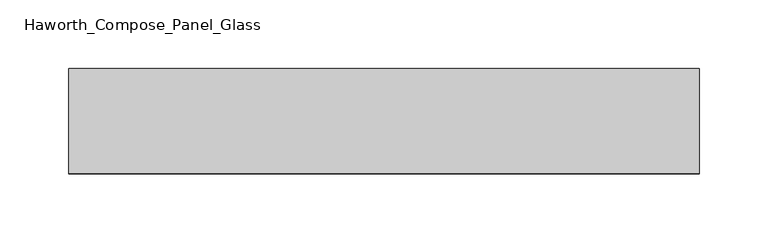
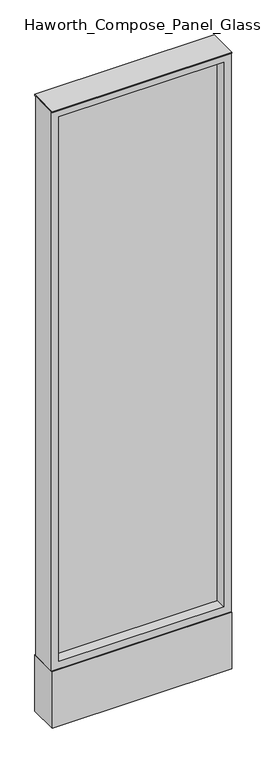
"""IFC4 building model written with IfcOpenShell, lengths in millimetres: furniture geometry, Haworth_Compose_Panel_Glass."""

from ifc_helpers import new_model, si_unit, point, frame, frame_2d, origin, origin_with_axes, place, context, project, spatial, polyline, circle_curve, trimmed, segment, composite_curve, outline, extrude, source, transform, mapped, element, save


def haworth_compose_panel_glass_8ae2f7e0(model_context):
    return source(origin(), model_context, "Body", "SweptSolid", [
        extrude(outline(composite_curve([segment(trimmed(circle_curve(frame_2d((154.8402902, 0.0)), 12.7), [point((142.1402902, 0.0))], [point((167.5402902, 0.0))], False, "CARTESIAN"), True, "CONTINUOUS"), segment(trimmed(circle_curve(frame_2d((154.8402902, 0.0)), 12.7), [point((167.5402902, 0.0))], [point((142.1402902, 0.0))], False, "CARTESIAN"), True, "CONTINUOUS")], self_intersect=False)), origin_with_axes(), (0.0, 0.0, 1.0), 12.7),
        extrude(outline(composite_curve([segment(trimmed(circle_curve(frame_2d((-149.9597098, 0.0)), 12.7), [point((-162.6597098, 0.0))], [point((-137.2597098, 0.0))], False, "CARTESIAN"), True, "CONTINUOUS"), segment(trimmed(circle_curve(frame_2d((-149.9597098, 0.0)), 12.7), [point((-137.2597098, 0.0))], [point((-162.6597098, 0.0))], False, "CARTESIAN"), True, "CONTINUOUS")], self_intersect=False)), origin_with_axes(), (0.0, 0.0, 1.0), 12.7),
        extrude(outline(polyline([(211.9902902, -6.35), (-207.1097098, -6.35), (-207.1097098, 6.35), (211.9902902, 6.35), (211.9902902, -6.35)])), frame((0.0, 0.0, 184.15), z_axis=(0.0, 0.0, 1.0), x_axis=(1.0, 0.0, 0.0)), (0.0, 0.0, 1.0), 1466.85),
        extrude(outline(polyline([(1670.05, -226.1597098), (165.1, -226.1597098), (165.1, 231.0402902), (1670.05, 231.0402902), (1670.05, -226.1597098)]), holes=[polyline([(1651.0, 211.9902902), (184.15, 211.9902902), (184.15, -207.1097098), (1651.0, -207.1097098), (1651.0, 211.9902902)])]), frame((0.0, -34.925, 0.0), z_axis=(0.0, 1.0, 0.0), x_axis=(0.0, 0.0, 1.0)), (0.0, 0.0, 1.0), 69.85),
        extrude(outline(polyline([(-226.1597098, 38.1), (231.0402902, 38.1), (231.0402902, -38.1), (-226.1597098, -38.1), (-226.1597098, 38.1)])), frame((0.0, 0.0, 12.7), z_axis=(0.0, 0.0, 1.0), x_axis=(1.0, 0.0, 0.0)), (0.0, 0.0, 1.0), 152.4),
        extrude(outline(polyline([(-226.1597098, -38.1), (-226.1597098, 38.1), (231.0402902, 38.1), (231.0402902, -38.1), (-226.1597098, -38.1)])), frame((0.0, 0.0, 1670.05), z_axis=(0.0, 0.0, 1.0), x_axis=(1.0, 0.0, 0.0)), (0.0, 0.0, 1.0), 3.175),
    ])


if __name__ == "__main__":
    model = new_model("IFC4")
    model_context = context("Model", 3, world=origin())
    ifc_project = project(units=[si_unit("LENGTHUNIT", "METRE", prefix="MILLI")], contexts=[model_context])
    site = spatial("IfcSite", under=ifc_project)
    building = spatial("IfcBuilding", under=site)
    placement = place(None, origin())
    haworth_compose_panel_glass_shape = haworth_compose_panel_glass_8ae2f7e0(model_context)
    element("IfcFurniture", 1, ObjectType="Haworth_Compose_Panel_Glass", at=placement, inside=building, context=model_context, shape_type="MappedRepresentation", body=[
        mapped(haworth_compose_panel_glass_shape, transform((0.0, 0.0, 0.0), x_axis=(1.0, 0.0, 0.0), y_axis=(0.0, 1.0, 0.0), z_axis=(0.0, 0.0, 1.0))),
    ])
    save(model, "model.ifc")
